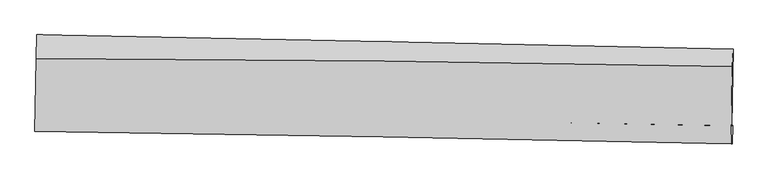
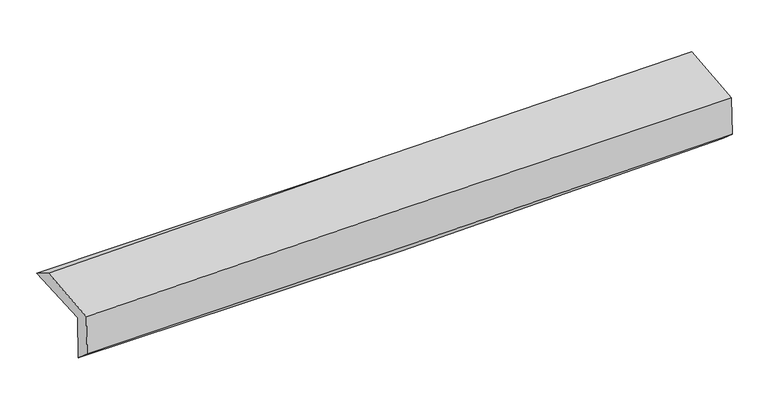
"""IFC4 building model written with IfcOpenShell, lengths in millimetres: proxy geometry."""

import ifcopenshell
import ifcopenshell.guid

model = None  # the IFC model being written
_history = None  # IfcOwnerHistory: only IFC2X3 demands one
_inside = {}  # id of a spatial element -> (the spatial element, [elements in it])
_under = {}  # id of a project, library or spatial element -> (it, [spatial elements below it])
_declared = {}  # id of a project -> (the project, [libraries it declares])
_typed = {}  # id of a type object -> (the type object, [elements of that type])
_made_of = {}  # id of a material, layer set ... -> (it, [elements and type objects made of it])


def new_model(schema):
    """Start an empty IFC model of exactly this schema.

    Asked for "IFC4X3", IfcOpenShell would pick the latest addendum, in which some entities
    have other attributes; the version numbers below select the first issue.
    IFC2X3 requires an IfcOwnerHistory on every rooted entity: one is made here for all.
    """
    global model, _history
    if schema == "IFC4X3":
        model = ifcopenshell.file(schema_version=(4, 3, 0, 0))
    else:
        model = ifcopenshell.file(schema=schema)
    _inside.clear()
    _under.clear()
    _declared.clear()
    _typed.clear()
    _made_of.clear()
    _history = None
    if model.schema == "IFC2X3":
        org = make("IfcOrganization", Name="unknown")
        user = make(
            "IfcPersonAndOrganization",
            ThePerson=make("IfcPerson", FamilyName="unknown"),
            TheOrganization=org,
        )
        app = make(
            "IfcApplication",
            ApplicationDeveloper=org,
            Version="unknown",
            ApplicationFullName="unknown",
            ApplicationIdentifier="unknown",
        )
        _history = make(
            "IfcOwnerHistory",
            OwningUser=user,
            OwningApplication=app,
            ChangeAction="ADDED",
            CreationDate=0,
        )
    return model


def make(cls, **values):
    """One entity of the class cls with the attributes given. An attribute that is None is left unset."""
    return model.create_entity(
        cls, **{name: value for name, value in values.items() if value is not None}
    )


def rooted(cls, **values):
    """An entity with a GlobalId (a new one), such as an element, a storey or a relation."""
    return make(cls, GlobalId=ifcopenshell.guid.new(), OwnerHistory=_history, **values)


def si_unit(unit_type, name, prefix=None):
    """IfcSIUnit, for example si_unit("LENGTHUNIT", "METRE", prefix="MILLI")."""
    return make("IfcSIUnit", UnitType=unit_type, Prefix=prefix, Name=name)


def assignment(units):
    """IfcUnitAssignment: the units of a project."""
    return None if units is None else make("IfcUnitAssignment", Units=units)


def point(xyz):
    """IfcCartesianPoint."""
    return None if xyz is None else make("IfcCartesianPoint", Coordinates=xyz)


def direction(xyz):
    """IfcDirection."""
    return None if xyz is None else make("IfcDirection", DirectionRatios=xyz)


def frame(location, z_axis=None, x_axis=None):
    """IfcAxis2Placement3D, a coordinate frame: its origin and axes. An axis left out is left unset."""
    return make(
        "IfcAxis2Placement3D",
        Location=point(location),
        Axis=direction(z_axis),
        RefDirection=direction(x_axis),
    )


def origin():
    """The frame at (0, 0, 0) with its axes left unset."""
    return frame((0.0, 0.0, 0.0))


def place(relative_to, where):
    """IfcLocalPlacement: puts the frame where relative to a parent placement (None: the world)."""
    return make(
        "IfcLocalPlacement", PlacementRelTo=relative_to, RelativePlacement=where
    )


def context(
    kind, dimensions, precision=None, world=None, true_north=None, identifier=None
):
    """IfcGeometricRepresentationContext, for example the 3D "Model" context."""
    return make(
        "IfcGeometricRepresentationContext",
        ContextIdentifier=identifier,
        ContextType=kind,
        CoordinateSpaceDimension=dimensions,
        Precision=precision,
        WorldCoordinateSystem=world,
        TrueNorth=true_north,
    )


def project(units=None, contexts=None):
    """IfcProject with its units and contexts."""
    return rooted(
        "IfcProject",
        Name="project",
        RepresentationContexts=contexts,
        UnitsInContext=assignment(units),
    )


def spatial(cls, under=None, at=None, **own):
    """A site, building, storey or space (cls), placed at a placement, below another one or the project."""
    s = rooted(cls, ObjectPlacement=at, **own)
    if under is not None:
        _under.setdefault(under.id(), (under, []))[1].append(s)
    return s


def shape(context_of_items, identifier, shape_type, items):
    """IfcShapeRepresentation: the items that make up one representation, for example the "Body"."""
    return make(
        "IfcShapeRepresentation",
        ContextOfItems=context_of_items,
        RepresentationIdentifier=identifier,
        RepresentationType=shape_type,
        Items=items,
    )


def source(mapping_origin, context_of_items, identifier, shape_type, items):
    """IfcRepresentationMap: a shape defined once, which mapped items show again and again."""
    return make(
        "IfcRepresentationMap",
        MappingOrigin=mapping_origin,
        MappedRepresentation=shape(context_of_items, identifier, shape_type, items),
    )


def transform(
    local_origin,
    x_axis=None,
    y_axis=None,
    z_axis=None,
    scale=None,
    scale2=None,
    scale3=None,
    uniform=True,
):
    """IfcCartesianTransformationOperator3D, or its non-uniform kind. x_axis, y_axis, z_axis: its Axis1, 2, 3."""
    if uniform:
        return make(
            "IfcCartesianTransformationOperator3D",
            Axis1=direction(x_axis),
            Axis2=direction(y_axis),
            LocalOrigin=point(local_origin),
            Scale=scale,
            Axis3=direction(z_axis),
        )
    return make(
        "IfcCartesianTransformationOperator3DnonUniform",
        Axis1=direction(x_axis),
        Axis2=direction(y_axis),
        LocalOrigin=point(local_origin),
        Scale=scale,
        Axis3=direction(z_axis),
        Scale2=scale2,
        Scale3=scale3,
    )


def mapped(mapping_source, mapping_target):
    """IfcMappedItem: shows the shape of a source again, moved by a transform."""
    return make(
        "IfcMappedItem", MappingSource=mapping_source, MappingTarget=mapping_target
    )


def made_of(thing, what):
    """Note that an element or type object is made of a material, layer set ...; save() writes the relation."""
    if what is not None:
        _made_of.setdefault(what.id(), (what, []))[1].append(thing)
    return thing


def element(
    cls,
    number,
    at=None,
    inside=None,
    cuts=None,
    type_object=None,
    material=None,
    context=None,
    identifier="Body",
    shape_type=None,
    held_by="IfcProductDefinitionShape",
    body=None,
    shapes=None,
    **own,
):
    """One element of the class cls, such as IfcWall. Its Tag is "e" and its number.

    at: its placement. inside: the storey or other place that contains it. cuts: it is an
    opening in that element (IfcRelVoidsElement). A single representation is given by context,
    identifier, shape_type and body (its items); several are given by shapes. held_by: the class
    of the entity that holds the representations. save() writes the other relations.
    """
    e = rooted(cls, Tag="e%d" % number, ObjectPlacement=at, **own)
    if body is not None:
        shapes = [shape(context, identifier, shape_type, body)]
    if shapes is not None:
        e.Representation = make(held_by, Representations=shapes)
    if inside is not None:
        _inside.setdefault(inside.id(), (inside, []))[1].append(e)
    if cuts is not None:
        rooted(
            "IfcRelVoidsElement", RelatingBuildingElement=cuts, RelatedOpeningElement=e
        )
    if type_object is not None:
        _typed.setdefault(type_object.id(), (type_object, []))[1].append(e)
    return made_of(e, material)


def aggregate(whole, parts):
    """IfcRelAggregates: a whole, such as a stair, and the parts it consists of."""
    return rooted("IfcRelAggregates", RelatingObject=whole, RelatedObjects=parts)


def save(model, path):
    """Write the relations noted so far, then the file.

    IfcRelAggregates (storeys below a building ...), IfcRelContainedInSpatialStructure (elements
    in a storey), IfcRelDefinesByType, IfcRelAssociatesMaterial and IfcRelDeclares: one each for
    every whole, place, type object, material and project.
    """
    for whole, parts in _under.values():
        aggregate(whole, parts)
    for where, things in _inside.values():
        rooted(
            "IfcRelContainedInSpatialStructure",
            RelatedElements=things,
            RelatingStructure=where,
        )
    for kind, things in _typed.values():
        rooted("IfcRelDefinesByType", RelatedObjects=things, RelatingType=kind)
    for what, things in _made_of.values():
        rooted("IfcRelAssociatesMaterial", RelatedObjects=things, RelatingMaterial=what)
    for by, libraries in _declared.values():
        rooted("IfcRelDeclares", RelatingContext=by, RelatedDefinitions=libraries)
    model.write(path)


def plane_surface(at):
    """IfcPlane: the flat surface through the origin of the frame at, square to its z axis."""
    return make("IfcPlane", Position=at)


def spline_curve(degree, points, multiplicities, knots, weights=None):
    """IfcBSplineCurveWithKnots; with weights, IfcRationalBSplineCurveWithKnots."""
    own = dict(
        Degree=degree,
        ControlPointsList=[point(p) for p in points],
        CurveForm="UNSPECIFIED",
        ClosedCurve=False,
        SelfIntersect=False,
        KnotMultiplicities=multiplicities,
        Knots=knots,
        KnotSpec="UNSPECIFIED",
    )
    if weights is None:
        return make("IfcBSplineCurveWithKnots", **own)
    return make("IfcRationalBSplineCurveWithKnots", WeightsData=weights, **own)


def spline_surface(u_degree, v_degree, points, u_multiplicities, v_multiplicities, u_knots, v_knots, weights=None):
    """IfcBSplineSurfaceWithKnots; with weights, IfcRationalBSplineSurfaceWithKnots. points: one row for each step in u."""
    own = dict(
        UDegree=u_degree,
        VDegree=v_degree,
        ControlPointsList=[[point(p) for p in row] for row in points],
        SurfaceForm="UNSPECIFIED",
        UClosed=False,
        VClosed=False,
        SelfIntersect=False,
        UMultiplicities=u_multiplicities,
        VMultiplicities=v_multiplicities,
        UKnots=u_knots,
        VKnots=v_knots,
        KnotSpec="UNSPECIFIED",
    )
    if weights is None:
        return make("IfcBSplineSurfaceWithKnots", **own)
    return make("IfcRationalBSplineSurfaceWithKnots", WeightsData=weights, **own)


def advanced_brep(points, edges, surfaces, faces):
    """IfcAdvancedBrep: a solid bounded by faces that lie on surfaces and meet in shared edges.

    An edge is (start, end): straight between two places in points (the first is 0);
    or (start, end, curve); or (start, end, curve, False) where it runs against its curve.
    A face is (place in surfaces, loops), or (place, loops, False) where it looks against
    its surface's normal. A loop lists edges by number (the first is 1), with a minus sign
    where the edge is run from its end to its start. The first loop is the outer one.
    """
    corners = [point(p) for p in points]
    vertices = [make("IfcVertexPoint", VertexGeometry=c) for c in corners]
    made = []
    for start, end, *more in edges:
        made.append(
            make(
                "IfcEdgeCurve",
                EdgeStart=vertices[start],
                EdgeEnd=vertices[end],
                EdgeGeometry=more[0] if more else make("IfcPolyline", Points=[corners[start], corners[end]]),
                SameSense=more[1] if len(more) > 1 else True,
            )
        )
    hull = []
    for where, loops, *sense in faces:
        bounds = []
        for j, loop in enumerate(loops):
            ring = [make("IfcOrientedEdge", EdgeElement=made[abs(k) - 1], Orientation=k > 0) for k in loop]
            bounds.append(
                make(
                    "IfcFaceOuterBound" if j == 0 else "IfcFaceBound",
                    Bound=make("IfcEdgeLoop", EdgeList=ring),
                    Orientation=True,
                )
            )
        hull.append(make("IfcAdvancedFace", Bounds=bounds, FaceSurface=surfaces[where], SameSense=sense[0] if sense else True))
    return make("IfcAdvancedBrep", Outer=make("IfcClosedShell", CfsFaces=hull))


def generic_models_d184bd8f(model_context):
    return source(origin(), model_context, "Body", "AdvancedBrep", [
        advanced_brep(
        [(-3030.488116, -1747.3665016, 1967.1188071), (-3018.0906079, -1058.3653608, 1987.980238), (3019.027724, -1181.2775145, 2128.7548586), (3007.0073476, -1849.057067, 2108.744867), (-3021.3367741, -1745.8075723, 1563.2100288), (3016.1576207, -1847.4983199, 1704.8832648), (-3027.244512, -1898.3135175, 1698.6699086), (3010.1596176, -2004.9989615, 1840.2093304), (-3035.6986717, -1899.7536819, 2071.8074574), (3001.7046212, -2006.4392685, 2213.3838109), (-3024.8000963, -1264.7726629, 2114.3641376), (3013.2067535, -1336.2933606, 2258.2972558)],
        [
            (0, 1),
            (1, 2, spline_curve(3, [(-3018.0906079, -1058.3653608, 1987.980238), (-2011.325986068, -1076.686881505, 1987.58839668), (-1004.850017737, -1096.090331858, 1999.123716517), (1007.522758298, -1137.061053631, 2046.048633692), (2013.419567413, -1158.628321379, 2081.438187616), (3019.027724, -1181.2775145, 2128.7548586)], [4, 2, 4], [0.0, 9.908962136684055, 19.817906032460865])),
            (2, 3),
            (3, 0, spline_curve(3, [(3007.0073476, -1849.057067, 2108.744867), (2001.345373887, -1829.529914228, 2061.229219468), (995.390228501, -1811.292130601, 2025.669223938), (-1017.108258457, -1777.395271, 1978.46049321), (-2023.651600685, -1761.736199388, 1966.81180202), (-3030.488116, -1747.3665016, 1967.1188071)], [4, 2, 4], [0.0, 9.90894389577681, 19.817906032460865])),
            (4, 0),
            (3, 5),
            (5, 4, spline_curve(3, [(3016.1576207, -1847.4983199, 1704.8832648), (2010.494973937, -1827.97128193, 1657.397325042), (1004.539580795, -1809.73354035, 1621.848252046), (-1007.95854955, -1775.836619851, 1574.623796088), (-2014.501288449, -1760.177445458, 1562.948457122), (-3021.3367741, -1745.8075723, 1563.2100288)], [4, 2, 4], [0.0, 9.908963242718263, 19.817944726379388])),
            (6, 4),
            (5, 7),
            (7, 6, spline_curve(3, [(3010.1596176, -2004.9989615, 1840.2093304), (2004.16079339, -1983.039532161, 1809.620004665), (998.044833851, -1963.169369777, 1782.530397893), (-1014.423209178, -1927.607547691, 1735.350577481), (-2020.77529242, -1911.915894959, 1715.260377181), (-3027.244512, -1898.3135175, 1698.6699086)], [4, 2, 4], [0.0, 9.908493708130942, 19.8170056563404])),
            (8, 6),
            (7, 9),
            (9, 8, spline_curve(3, [(3001.7046212, -2006.4392685, 2213.3838109), (1995.552210286, -1984.506002496, 2189.573269481), (989.359527028, -1964.648910199, 2165.869979752), (-1023.108236955, -1929.087040269, 2118.677861811), (-2029.383318151, -1913.382270255, 2095.189033198), (-3035.6986717, -1899.7536819, 2071.8074574)], [4, 2, 4], [0.0, 9.908179804397648, 19.81637784829596])),
            (10, 8),
            (9, 11),
            (11, 10, spline_curve(3, [(3013.2067535, -1336.2933606, 2258.2972558), (2007.039114245, -1315.247342918, 2234.427250648), (1000.788520654, -1298.76427728, 2210.497832371), (-1011.880429166, -1274.924028177, 2162.520126669), (-2018.298785098, -1267.566861008, 2138.471838699), (-3024.8000963, -1264.7726629, 2114.3641376)], [4, 2, 4], [0.0, 9.908272530797406, 19.81656330126617])),
            (1, 10),
            (11, 2),
        ],
        [
            spline_surface(3, 3, [[(-3030.488116, -1747.3665016, 1967.1188071), (-2023.651600808, -1761.736199279, 1966.811802156), (-1017.108258374, -1777.395270848, 1978.460493251), (995.390228419, -1811.292130753, 2025.669223897), (2001.34537384, -1829.529914268, 2061.229219444), (3007.0073476, -1849.057067, 2108.744867)], [(-3026.355613294, -1517.699454694, 1974.072617397), (-2019.54306252, -1533.386426714, 1973.737333695), (-1013.022178183, -1550.293624493, 1985.348234289), (999.434405093, -1586.54843839, 2032.462360531), (2005.370105089, -1605.896049941, 2067.965542212), (3011.014139738, -1626.463882833, 2115.414864192)], [(-3022.223110606, -1288.032407706, 1981.026427703), (-2015.434524249, -1305.036654066, 1980.662865243), (-1008.936098032, -1323.191978159, 1992.235975349), (1003.478581727, -1361.804746048, 2039.255497188), (2009.394836323, -1382.262185613, 2074.701865003), (3015.020931862, -1403.870698667, 2122.084861408)], [(-3018.0906079, -1058.3653608, 1987.980238), (-2011.32598596, -1076.686881501, 1987.588396782), (-1004.850017841, -1096.090331804, 1999.123716387), (1007.522758401, -1137.061053685, 2046.048633822), (2013.419567573, -1158.628321286, 2081.438187771), (3019.027724, -1181.2775145, 2128.7548586)]], [4, 4], [4, 2, 4], [0.0, 2.225027141977093], [0.0, 9.908962136684055, 19.817906032460865]),
            spline_surface(3, 3, [[(-3021.3367741, -1745.8075723, 1563.2100288), (-2014.501288287, -1760.177445334, 1562.948457095), (-1007.95854963, -1775.836619801, 1574.623796093), (1004.539580875, -1809.7335404, 1621.84825204), (2010.494973852, -1827.971281829, 1657.397325044), (3016.1576207, -1847.4983199, 1704.8832648)], [(-3024.387221406, -1746.327215379, 1697.84628823), (-2017.551392467, -1760.697029961, 1697.569572112), (-1011.008452556, -1776.356170145, 1709.23602846), (1001.489796712, -1810.253070512, 1756.45524264), (2007.445107197, -1828.490825994, 1792.007956503), (3013.107529683, -1848.017902285, 1839.503798859)], [(-3027.437668694, -1746.846858521, 1832.48254767), (-2020.601496628, -1761.216614652, 1832.190687139), (-1014.058355448, -1776.875720504, 1843.848260884), (998.440012583, -1810.77260064, 1891.062233297), (2004.395240495, -1829.010370103, 1926.618587985), (3010.057438617, -1848.537484615, 1974.124332941)], [(-3030.488116, -1747.3665016, 1967.1188071), (-2023.651600808, -1761.736199279, 1966.811802156), (-1017.108258374, -1777.395270848, 1978.460493251), (995.390228419, -1811.292130753, 2025.669223897), (2001.34537384, -1829.529914268, 2061.229219444), (3007.0073476, -1849.057067, 2108.744867)]], [4, 4], [4, 2, 4], [0.0, 1.3252476327274447], [0.0, 9.908981483661124, 19.817944726379388]),
            spline_surface(3, 3, [[(-3027.244512, -1898.3135175, 1698.6699086), (-2020.775292529, -1911.915895006, 1715.260377331), (-1014.423209052, -1927.607547554, 1735.350577604), (998.044833725, -1963.169369914, 1782.53039777), (2004.16079343, -1983.03953203, 1809.620004735), (3010.1596176, -2004.9989615, 1840.2093304)], [(-3025.275266017, -1847.478202424, 1653.516615343), (-2018.683957766, -1861.336411773, 1664.489737262), (-1012.268322586, -1877.017238301, 1681.774983781), (1000.209749435, -1912.024093407, 1728.969682541), (2006.272186894, -1931.350115271, 1758.879111499), (3012.158951957, -1952.498747608, 1795.100641861)], [(-3023.306020083, -1796.642887376, 1608.363322057), (-2016.592623051, -1810.756928567, 1613.719097164), (-1010.113436097, -1826.426929054, 1628.199389916), (1002.374665166, -1860.878816906, 1675.408967269), (2008.383580388, -1879.660698587, 1708.13821828), (3014.158286343, -1899.998533792, 1749.991953339)], [(-3021.3367741, -1745.8075723, 1563.2100288), (-2014.501288287, -1760.177445334, 1562.948457095), (-1007.95854963, -1775.836619801, 1574.623796093), (1004.539580875, -1809.7335404, 1621.84825204), (2010.494973852, -1827.971281829, 1657.397325044), (3016.1576207, -1847.4983199, 1704.8832648)]], [4, 4], [4, 2, 4], [0.0, 0.7273978083317425], [0.0, 9.908511948209457, 19.8170056563404]),
            spline_surface(3, 3, [[(-3035.6986717, -1899.7536819, 2071.8074574), (-2029.383318021, -1913.382270412, 2095.189033292), (-1023.108237034, -1929.087040321, 2118.677861679), (989.359527108, -1964.648910147, 2165.869979884), (1995.552210441, -1984.506002474, 2189.573269377), (3001.7046212, -2006.4392685, 2213.3838109)], [(-3032.880618486, -1899.273627108, 1947.428274456), (-2026.51397621, -1912.893478617, 1968.546147961), (-1020.213227705, -1928.59387607, 1990.902100316), (992.254629315, -1964.155730074, 2038.090119175), (1998.421738103, -1984.01717902, 2062.922181189), (3004.522953333, -2005.959166194, 2088.992317426)], [(-3030.062565214, -1898.793572292, 1823.049091544), (-2023.64463434, -1912.4046868, 1841.903262662), (-1017.318218381, -1928.100711805, 1863.126338967), (995.149731518, -1963.662549987, 1910.31025848), (2001.291265768, -1983.528355484, 1936.271092923), (3007.341285467, -2005.479063806, 1964.600823874)], [(-3027.244512, -1898.3135175, 1698.6699086), (-2020.775292529, -1911.915895006, 1715.260377331), (-1014.423209052, -1927.607547554, 1735.350577604), (998.044833725, -1963.169369914, 1782.53039777), (2004.16079343, -1983.03953203, 1809.620004735), (3010.1596176, -2004.9989615, 1840.2093304)]], [4, 4], [4, 2, 4], [0.0, 1.2579877448067505], [0.0, 9.908198043898313, 19.81637784829596]),
            spline_surface(3, 3, [[(-3024.8000963, -1264.7726629, 2114.3641376), (-2018.29878522, -1267.566861108, 2138.471838634), (-1011.88042907, -1274.924028048, 2162.520126587), (1000.788520558, -1298.764277408, 2210.497832453), (2007.039114342, -1315.247343047, 2234.427250532), (3013.2067535, -1336.2933606, 2258.2972558)], [(-3028.432954768, -1476.433002564, 2100.178577558), (-2021.993629489, -1482.838664207, 2124.044236878), (-1015.623031711, -1492.978365469, 2147.906038276), (996.978856088, -1520.725821651, 2195.621881588), (2003.210146364, -1538.333562841, 2219.475923464), (3009.372709389, -1559.675329885, 2243.326107484)], [(-3032.065813232, -1688.093342236, 2085.993017442), (-2025.688473752, -1698.110467313, 2109.616635048), (-1019.365634393, -1711.032702901, 2133.291949991), (993.169191577, -1742.687365904, 2180.745930749), (1999.381178419, -1761.41978268, 2204.524596444), (3005.538665311, -1783.057299215, 2228.354959216)], [(-3035.6986717, -1899.7536819, 2071.8074574), (-2029.383318021, -1913.382270412, 2095.189033292), (-1023.108237034, -1929.087040321, 2118.677861679), (989.359527108, -1964.648910147, 2165.869979884), (1995.552210441, -1984.506002474, 2189.573269377), (3001.7046212, -2006.4392685, 2213.3838109)]], [4, 4], [4, 2, 4], [0.0, 2.170608497201883], [0.0, 9.908290770468765, 19.81656330126617]),
            spline_surface(3, 3, [[(-3018.0906079, -1058.3653608, 1987.980238), (-2011.32598596, -1076.686881501, 1987.588396782), (-1004.850017841, -1096.090331804, 1999.123716387), (1007.522758401, -1137.061053685, 2046.048633822), (2013.419567573, -1158.628321286, 2081.438187771), (3019.027724, -1181.2775145, 2128.7548586)], [(-3020.327104028, -1127.167794831, 2030.108204517), (-2013.650252374, -1140.313541368, 2037.882877383), (-1007.19348826, -1155.701563898, 2053.589186479), (1005.278012444, -1190.962128272, 2100.865033392), (2011.292749829, -1210.834661867, 2132.434542035), (3017.0874005, -1232.949463194, 2171.935657677)], [(-3022.563600172, -1195.970228869, 2072.236171083), (-2015.974518806, -1203.940201241, 2088.177358033), (-1009.53695865, -1215.312795954, 2108.054656495), (1003.033266515, -1244.863202821, 2155.681432883), (2009.165932085, -1263.041002466, 2183.430896267), (3015.147077, -1284.621411906, 2215.116456723)], [(-3024.8000963, -1264.7726629, 2114.3641376), (-2018.29878522, -1267.566861108, 2138.471838634), (-1011.88042907, -1274.924028048, 2162.520126587), (1000.788520558, -1298.764277408, 2210.497832453), (2007.039114342, -1315.247343047, 2234.427250532), (3013.2067535, -1336.2933606, 2258.2972558)]], [4, 4], [4, 2, 4], [0.0, 0.7757601659200264], [0.0, 9.90842723176499, 19.816836223607417]),
            plane_surface(frame((3011.2106141, -1704.2607487, 2042.3788979), z_axis=(0.9995708181641835, -0.018669254622406983, 0.02257517234549036), x_axis=(0.022650970570613795, 0.0038585882355347675, -0.9997359875632356))),
            plane_surface(frame((-3026.276463, -1602.3965495, 1900.5250963), z_axis=(-0.999570818164204, 0.018669254620635196, -0.022575172346055477), x_axis=(-0.017982300642938893, -0.9993803221001492, -0.03025902613418317))),
        ],
        [
            (0, [[1, 2, 3, 4]]),
            (1, [[5, -4, 6, 7]]),
            (2, [[8, -7, 9, 10]]),
            (3, [[11, -10, 12, 13]]),
            (4, [[14, -13, 15, 16]]),
            (5, [[17, -16, 18, -2]]),
            (6, [[-12, -9, -6, -3, -18, -15]]),
            (7, [[-1, -5, -8, -11, -14, -17]]),
        ],
    ),
    ])


if __name__ == "__main__":
    model = new_model("IFC4")
    model_context = context("Model", 3, world=origin())
    ifc_project = project(units=[si_unit("LENGTHUNIT", "METRE", prefix="MILLI")], contexts=[model_context])
    site = spatial("IfcSite", under=ifc_project)
    building = spatial("IfcBuilding", under=site)
    placement = place(None, origin())
    generic_models_shape = generic_models_d184bd8f(model_context)
    element("IfcBuildingElementProxy", 1, Name="Generic Models", at=placement, inside=building, context=model_context, shape_type="MappedRepresentation", body=[
        mapped(generic_models_shape, transform((0.0, 0.0, 0.0), x_axis=(1.0, 0.0, 0.0), y_axis=(0.0, 1.0, 0.0), z_axis=(0.0, 0.0, 1.0))),
    ])
    save(model, "model.ifc")
